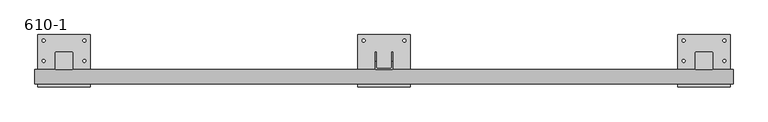
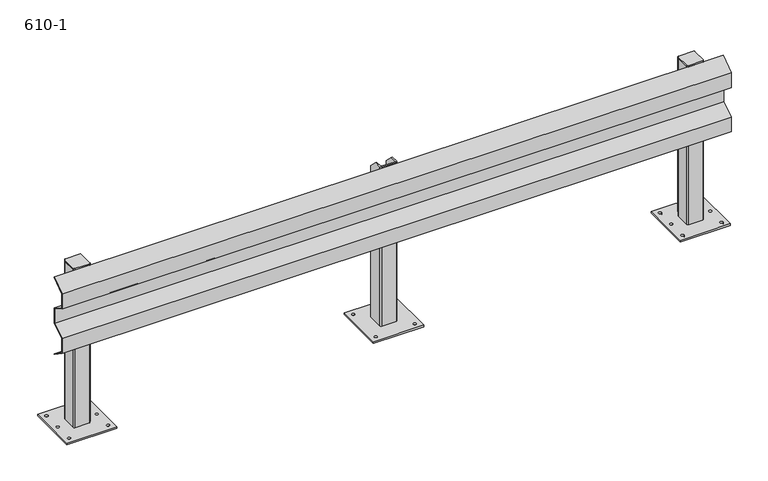
"""IFC4 building model written with IfcOpenShell, lengths in millimetres: proxy geometry, 610-1."""

from ifc_helpers import new_model, si_unit, point, frame, frame_2d, origin, origin_with_axes, place, context, project, spatial, polyline, circle_curve, trimmed, segment, composite_curve, outline, extrude, source, transform, mapped, element, save
from ifc_brep_helpers import plane_surface, cylinder_surface, revolved_surface, advanced_brep


def proxy_610_1_9724320c(model_context):
    return source(origin(), model_context, "Body", "SolidModel", [
        extrude(outline(polyline([(-30.0, 602.5500027), (-78.0, 568.5877822), (-78.0, 514.6001053), (-30.0, 486.1623259), (-30.0, 428.8381046), (-78.0, 400.4408827), (-78.0, 346.3636576), (-30.0, 312.4488566), (-30.0, 310.0), (-80.0, 345.3279177), (-80.0, 401.581456), (-32.0, 429.9786778), (-32.0, 485.0225816), (-80.0, 513.4603611), (-80.0, 569.622687), (-30.0, 605.0), (-30.0, 602.5500027)])), frame((-100.0, 0.0, 0.0), z_axis=(1.0, 0.0, 0.0), x_axis=(0.0, 1.0, 0.0)), (0.0, 0.0, 1.0), 2400.0),
        advanced_brep(
        [(1070.0, -26.0, 610.0), (1074.0, -30.0, 610.0), (1126.0, -30.0, 610.0), (1130.0, -26.0, 610.0), (1130.0, 0.0, 610.0), (1126.0, 0.0, 610.0), (1126.0, -24.0, 610.0), (1124.0, -26.0, 610.0), (1076.0, -26.0, 610.0), (1074.0, -24.0, 610.0), (1074.0, 0.0, 610.0), (1070.0, 0.0, 610.0), (1070.0, -26.0, 6.0), (1070.0, 30.0, 6.0), (1074.0, 30.0, 6.0), (1074.0, -24.0, 6.0), (1076.0, -26.0, 6.0), (1124.0, -26.0, 6.0), (1126.0, -24.0, 6.0), (1126.0, 30.0, 6.0), (1130.0, 30.0, 6.0), (1130.0, -26.0, 6.0), (1126.0, -30.0, 6.0), (1074.0, -30.0, 6.0), (1130.0, 30.0, 580.0), (1126.0, 30.0, 580.0), (1074.0, 30.0, 580.0), (1070.0, 30.0, 580.0)],
        [
            (0, 1, circle_curve(frame((1074.0, -26.0, 610.0), z_axis=(0.0, 0.0, 1.0), x_axis=(-1.0, 0.0, 0.0)), 4.0)),
            (1, 2),
            (2, 3, circle_curve(frame((1126.0, -26.0, 610.0), z_axis=(0.0, 0.0, 1.0), x_axis=(-1.0, 0.0, 0.0)), 4.0)),
            (3, 4),
            (4, 5),
            (5, 6),
            (6, 7, circle_curve(frame((1124.0, -24.0, 610.0), z_axis=(0.0, 0.0, -1.0), x_axis=(-1.0, 0.0, 0.0)), 2.0)),
            (7, 8),
            (8, 9, circle_curve(frame((1076.0, -24.0, 610.0), z_axis=(0.0, 0.0, -1.0), x_axis=(-1.0, 0.0, 0.0)), 2.0)),
            (9, 10),
            (10, 11),
            (11, 0),
            (12, 13),
            (13, 14),
            (14, 15),
            (15, 16, circle_curve(frame((1076.0, -24.0, 6.0), z_axis=(0.0, 0.0, 1.0), x_axis=(-1.0, 0.0, 0.0)), 2.0)),
            (16, 17),
            (17, 18, circle_curve(frame((1124.0, -24.0, 6.0), z_axis=(0.0, 0.0, 1.0), x_axis=(-1.0, 0.0, 0.0)), 2.0)),
            (18, 19),
            (19, 20),
            (20, 21),
            (21, 22, circle_curve(frame((1126.0, -26.0, 6.0), z_axis=(0.0, 0.0, -1.0), x_axis=(-1.0, 0.0, 0.0)), 4.0)),
            (22, 23),
            (23, 12, circle_curve(frame((1074.0, -26.0, 6.0), z_axis=(0.0, 0.0, -1.0), x_axis=(-1.0, 0.0, 0.0)), 4.0)),
            (0, 12),
            (23, 1),
            (22, 2),
            (21, 3),
            (20, 24),
            (24, 4),
            (19, 25),
            (25, 24),
            (18, 6),
            (5, 25),
            (17, 7),
            (16, 8),
            (15, 9),
            (14, 26),
            (26, 10),
            (13, 27),
            (27, 26),
            (11, 27),
        ],
        [
            plane_surface(frame((1070.0, -26.0, 610.0), z_axis=(0.0, 0.0, 1.0), x_axis=(0.0, -1.0, 0.0))),
            plane_surface(frame((1070.0, -26.0, 6.0), z_axis=(0.0, 0.0, -1.0), x_axis=(0.0, 1.0, 0.0))),
            cylinder_surface(frame((1074.0, -26.0, 6.0), z_axis=(0.0, 0.0, 1.0), x_axis=(-1.0, 0.0, 0.0)), 4.0),
            plane_surface(frame((1074.0, -30.0, 610.0), z_axis=(0.0, -1.0, 0.0), x_axis=(0.0, 0.0, -1.0))),
            cylinder_surface(frame((1126.0, -26.0, 6.0), z_axis=(0.0, 0.0, 1.0), x_axis=(-1.0, 0.0, 0.0)), 4.0),
            plane_surface(frame((1130.0, -26.0, 610.0), z_axis=(1.0, 0.0, 0.0), x_axis=(0.0, 0.0, -1.0))),
            plane_surface(frame((1130.0, 30.0, 610.0), z_axis=(0.0, 1.0, 0.0), x_axis=(0.0, 0.0, -1.0))),
            plane_surface(frame((1126.0, 30.0, 610.0), z_axis=(-1.0, 0.0, 0.0), x_axis=(0.0, 0.0, -1.0))),
            revolved_surface(polyline([(1122.0, -24.0, 6.0), (1122.0, -24.0, 610.0)]), (1124.0, -24.0, 6.0), (0.0, 0.0, -1.0)),
            plane_surface(frame((1124.0, -26.0, 610.0), z_axis=(0.0, 1.0, 0.0), x_axis=(0.0, 0.0, -1.0))),
            revolved_surface(polyline([(1074.0, -24.0, 6.0), (1074.0, -24.0, 610.0)]), (1076.0, -24.0, 6.0), (0.0, 0.0, -1.0)),
            plane_surface(frame((1074.0, -24.0, 610.0), z_axis=(1.0, 0.0, 0.0), x_axis=(0.0, 0.0, -1.0))),
            plane_surface(frame((1074.0, 30.0, 610.0), z_axis=(0.0, 1.0, 0.0), x_axis=(0.0, 0.0, -1.0))),
            plane_surface(frame((1070.0, 30.0, 610.0), z_axis=(-1.0, 0.0, 0.0), x_axis=(0.0, 0.0, -1.0))),
            plane_surface(frame((1130.0, 0.0, 610.0), z_axis=(0.0, 0.7071067811865482, 0.7071067811865469), x_axis=(-1.0, 0.0, 0.0))),
            plane_surface(frame((1074.0, 0.0, 610.0), z_axis=(0.0, 0.7071067811865539, 0.7071067811865411), x_axis=(-1.0, 0.0, 0.0))),
        ],
        [
            (0, [[1, 2, 3, 4, 5, 6, 7, 8, 9, 10, 11, 12]]),
            (1, [[13, 14, 15, 16, 17, 18, 19, 20, 21, 22, 23, 24]]),
            (2, [[-1, 25, -24, 26]]),
            (3, [[-2, -26, -23, 27]]),
            (4, [[-3, -27, -22, 28]]),
            (5, [[-21, 29, 30, -4, -28]]),
            (6, [[-20, 31, 32, -29]]),
            (7, [[-19, 33, -6, 34, -31]]),
            (8, [[-7, -33, -18, 35]]),
            (9, [[-8, -35, -17, 36]]),
            (10, [[-9, -36, -16, 37]]),
            (11, [[-15, 38, 39, -10, -37]]),
            (12, [[-14, 40, 41, -38]]),
            (13, [[-13, -25, -12, 42, -40]]),
            (14, [[-5, -30, -32, -34]]),
            (15, [[-11, -39, -41, -42]]),
        ],
    ),
        extrude(outline(polyline([(1190.0, 90.0), (1190.0, -90.0), (1010.0, -90.0), (1010.0, 90.0), (1190.0, 90.0)]), holes=[composite_curve([segment(trimmed(circle_curve(frame_2d((1030.0, 70.0)), 5.0), [point((1025.0, 70.0))], [point((1035.0, 70.0))], True, "CARTESIAN"), True, "CONTINUOUS"), segment(trimmed(circle_curve(frame_2d((1030.0, 70.0)), 5.0), [point((1035.0, 70.0))], [point((1025.0, 70.0))], True, "CARTESIAN"), True, "CONTINUOUS")], self_intersect=False), composite_curve([segment(trimmed(circle_curve(frame_2d((1170.0, 70.0)), 5.0), [point((1165.0, 70.0))], [point((1175.0, 70.0))], True, "CARTESIAN"), True, "CONTINUOUS"), segment(trimmed(circle_curve(frame_2d((1170.0, 70.0)), 5.0), [point((1175.0, 70.0))], [point((1165.0, 70.0))], True, "CARTESIAN"), True, "CONTINUOUS")], self_intersect=False), composite_curve([segment(trimmed(circle_curve(frame_2d((1030.0, -70.0)), 5.0), [point((1025.0, -70.0))], [point((1035.0, -70.0))], True, "CARTESIAN"), True, "CONTINUOUS"), segment(trimmed(circle_curve(frame_2d((1030.0, -70.0)), 5.0), [point((1035.0, -70.0))], [point((1025.0, -70.0))], True, "CARTESIAN"), True, "CONTINUOUS")], self_intersect=False), composite_curve([segment(trimmed(circle_curve(frame_2d((1170.0, -70.0)), 5.0), [point((1165.0, -70.0))], [point((1175.0, -70.0))], True, "CARTESIAN"), True, "CONTINUOUS"), segment(trimmed(circle_curve(frame_2d((1170.0, -70.0)), 5.0), [point((1175.0, -70.0))], [point((1165.0, -70.0))], True, "CARTESIAN"), True, "CONTINUOUS")], self_intersect=False)]), origin_with_axes(), (0.0, 0.0, 1.0), 6.0),
        extrude(outline(composite_curve([segment(trimmed(circle_curve(frame_2d((2226.0, 26.0)), 4.0), [point((2226.0, 30.0))], [point((2230.0, 26.0))], False, "CARTESIAN"), True, "CONTINUOUS"), segment(polyline([(2230.0, 26.0), (2230.0, -26.0)]), True, "CONTINUOUS"), segment(trimmed(circle_curve(frame_2d((2226.0, -26.0)), 4.0), [point((2230.0, -26.0))], [point((2226.0, -30.0))], False, "CARTESIAN"), True, "CONTINUOUS"), segment(polyline([(2226.0, -30.0), (2174.0, -30.0)]), True, "CONTINUOUS"), segment(trimmed(circle_curve(frame_2d((2174.0, -26.0)), 4.0), [point((2174.0, -30.0))], [point((2170.0, -26.0))], False, "CARTESIAN"), True, "CONTINUOUS"), segment(polyline([(2170.0, -26.0), (2170.0, 26.0)]), True, "CONTINUOUS"), segment(trimmed(circle_curve(frame_2d((2174.0, 26.0)), 4.0), [point((2170.0, 26.0))], [point((2174.0, 30.0))], False, "CARTESIAN"), True, "CONTINUOUS"), segment(polyline([(2174.0, 30.0), (2226.0, 30.0)]), True, "CONTINUOUS")], self_intersect=False)), frame((0.0, 0.0, 605.0), z_axis=(0.0, 0.0, 1.0), x_axis=(1.0, 0.0, 0.0)), (0.0, 0.0, 1.0), 5.0),
        extrude(outline(composite_curve([segment(polyline([(2170.0, -26.0), (2170.0, 26.0)]), True, "CONTINUOUS"), segment(trimmed(circle_curve(frame_2d((2174.0, 26.0)), 4.0), [point((2170.0, 26.0))], [point((2174.0, 30.0))], False, "CARTESIAN"), True, "CONTINUOUS"), segment(polyline([(2174.0, 30.0), (2226.0, 30.0)]), True, "CONTINUOUS"), segment(trimmed(circle_curve(frame_2d((2226.0, 26.0)), 4.0), [point((2226.0, 30.0))], [point((2230.0, 26.0))], False, "CARTESIAN"), True, "CONTINUOUS"), segment(polyline([(2230.0, 26.0), (2230.0, -26.0)]), True, "CONTINUOUS"), segment(trimmed(circle_curve(frame_2d((2226.0, -26.0)), 4.0), [point((2230.0, -26.0))], [point((2226.0, -30.0))], False, "CARTESIAN"), True, "CONTINUOUS"), segment(polyline([(2226.0, -30.0), (2174.0, -30.0)]), True, "CONTINUOUS"), segment(trimmed(circle_curve(frame_2d((2174.0, -26.0)), 4.0), [point((2174.0, -30.0))], [point((2170.0, -26.0))], False, "CARTESIAN"), True, "CONTINUOUS")], self_intersect=False), holes=[composite_curve([segment(polyline([(2224.0, 26.0), (2176.0, 26.0)]), True, "CONTINUOUS"), segment(trimmed(circle_curve(frame_2d((2176.0, 24.0)), 2.0), [point((2176.0, 26.0))], [point((2174.0, 24.0))], True, "CARTESIAN"), True, "CONTINUOUS"), segment(polyline([(2174.0, 24.0), (2174.0, -24.0)]), True, "CONTINUOUS"), segment(trimmed(circle_curve(frame_2d((2176.0, -24.0)), 2.0), [point((2174.0, -24.0))], [point((2176.0, -26.0))], True, "CARTESIAN"), True, "CONTINUOUS"), segment(polyline([(2176.0, -26.0), (2224.0, -26.0)]), True, "CONTINUOUS"), segment(trimmed(circle_curve(frame_2d((2224.0, -24.0)), 2.0), [point((2224.0, -26.0))], [point((2226.0, -24.0))], True, "CARTESIAN"), True, "CONTINUOUS"), segment(polyline([(2226.0, -24.0), (2226.0, 24.0)]), True, "CONTINUOUS"), segment(trimmed(circle_curve(frame_2d((2224.0, 24.0)), 2.0), [point((2226.0, 24.0))], [point((2224.0, 26.0))], True, "CARTESIAN"), True, "CONTINUOUS")], self_intersect=False)]), frame((0.0, 0.0, 6.0), z_axis=(0.0, 0.0, 1.0), x_axis=(1.0, 0.0, 0.0)), (0.0, 0.0, 1.0), 599.0),
        extrude(outline(polyline([(2290.0, 90.0), (2290.0, -90.0), (2110.0, -90.0), (2110.0, 90.0), (2290.0, 90.0)]), holes=[composite_curve([segment(trimmed(circle_curve(frame_2d((2130.0, 70.0)), 5.0), [point((2125.0, 70.0))], [point((2135.0, 70.0))], True, "CARTESIAN"), True, "CONTINUOUS"), segment(trimmed(circle_curve(frame_2d((2130.0, 70.0)), 5.0), [point((2135.0, 70.0))], [point((2125.0, 70.0))], True, "CARTESIAN"), True, "CONTINUOUS")], self_intersect=False), composite_curve([segment(trimmed(circle_curve(frame_2d((2130.0, 0.0)), 5.0), [point((2125.0, 0.0))], [point((2135.0, 0.0))], True, "CARTESIAN"), True, "CONTINUOUS"), segment(trimmed(circle_curve(frame_2d((2130.0, 0.0)), 5.0), [point((2135.0, 0.0))], [point((2125.0, 0.0))], True, "CARTESIAN"), True, "CONTINUOUS")], self_intersect=False), composite_curve([segment(trimmed(circle_curve(frame_2d((2130.0, -70.0)), 5.0), [point((2125.0, -70.0))], [point((2135.0, -70.0))], True, "CARTESIAN"), True, "CONTINUOUS"), segment(trimmed(circle_curve(frame_2d((2130.0, -70.0)), 5.0), [point((2135.0, -70.0))], [point((2125.0, -70.0))], True, "CARTESIAN"), True, "CONTINUOUS")], self_intersect=False), composite_curve([segment(trimmed(circle_curve(frame_2d((2270.0, -70.0)), 5.0), [point((2265.0, -70.0))], [point((2275.0, -70.0))], True, "CARTESIAN"), True, "CONTINUOUS"), segment(trimmed(circle_curve(frame_2d((2270.0, -70.0)), 5.0), [point((2275.0, -70.0))], [point((2265.0, -70.0))], True, "CARTESIAN"), True, "CONTINUOUS")], self_intersect=False), composite_curve([segment(trimmed(circle_curve(frame_2d((2270.0, 0.0)), 5.0), [point((2265.0, 0.0))], [point((2275.0, 0.0))], True, "CARTESIAN"), True, "CONTINUOUS"), segment(trimmed(circle_curve(frame_2d((2270.0, 0.0)), 5.0), [point((2275.0, 0.0))], [point((2265.0, 0.0))], True, "CARTESIAN"), True, "CONTINUOUS")], self_intersect=False), composite_curve([segment(trimmed(circle_curve(frame_2d((2270.0, 70.0)), 5.0), [point((2265.0, 70.0))], [point((2275.0, 70.0))], True, "CARTESIAN"), True, "CONTINUOUS"), segment(trimmed(circle_curve(frame_2d((2270.0, 70.0)), 5.0), [point((2275.0, 70.0))], [point((2265.0, 70.0))], True, "CARTESIAN"), True, "CONTINUOUS")], self_intersect=False)]), origin_with_axes(), (0.0, 0.0, 1.0), 6.0),
        extrude(outline(composite_curve([segment(trimmed(circle_curve(frame_2d((26.0, 26.0)), 4.0), [point((26.0, 30.0))], [point((30.0, 26.0))], False, "CARTESIAN"), True, "CONTINUOUS"), segment(polyline([(30.0, 26.0), (30.0, -26.0)]), True, "CONTINUOUS"), segment(trimmed(circle_curve(frame_2d((26.0, -26.0)), 4.0), [point((30.0, -26.0))], [point((26.0, -30.0))], False, "CARTESIAN"), True, "CONTINUOUS"), segment(polyline([(26.0, -30.0), (-26.0, -30.0)]), True, "CONTINUOUS"), segment(trimmed(circle_curve(frame_2d((-26.0, -26.0)), 4.0), [point((-26.0, -30.0))], [point((-30.0, -26.0))], False, "CARTESIAN"), True, "CONTINUOUS"), segment(polyline([(-30.0, -26.0), (-30.0, 26.0)]), True, "CONTINUOUS"), segment(trimmed(circle_curve(frame_2d((-26.0, 26.0)), 4.0), [point((-30.0, 26.0))], [point((-26.0, 30.0))], False, "CARTESIAN"), True, "CONTINUOUS"), segment(polyline([(-26.0, 30.0), (26.0, 30.0)]), True, "CONTINUOUS")], self_intersect=False)), frame((0.0, 0.0, 605.0), z_axis=(0.0, 0.0, 1.0), x_axis=(1.0, 0.0, 0.0)), (0.0, 0.0, 1.0), 5.0),
        extrude(outline(composite_curve([segment(polyline([(-30.0, -26.0), (-30.0, 26.0)]), True, "CONTINUOUS"), segment(trimmed(circle_curve(frame_2d((-26.0, 26.0)), 4.0), [point((-30.0, 26.0))], [point((-26.0, 30.0))], False, "CARTESIAN"), True, "CONTINUOUS"), segment(polyline([(-26.0, 30.0), (26.0, 30.0)]), True, "CONTINUOUS"), segment(trimmed(circle_curve(frame_2d((26.0, 26.0)), 4.0), [point((26.0, 30.0))], [point((30.0, 26.0))], False, "CARTESIAN"), True, "CONTINUOUS"), segment(polyline([(30.0, 26.0), (30.0, -26.0)]), True, "CONTINUOUS"), segment(trimmed(circle_curve(frame_2d((26.0, -26.0)), 4.0), [point((30.0, -26.0))], [point((26.0, -30.0))], False, "CARTESIAN"), True, "CONTINUOUS"), segment(polyline([(26.0, -30.0), (-26.0, -30.0)]), True, "CONTINUOUS"), segment(trimmed(circle_curve(frame_2d((-26.0, -26.0)), 4.0), [point((-26.0, -30.0))], [point((-30.0, -26.0))], False, "CARTESIAN"), True, "CONTINUOUS")], self_intersect=False), holes=[composite_curve([segment(polyline([(24.0, 26.0), (-24.0, 26.0)]), True, "CONTINUOUS"), segment(trimmed(circle_curve(frame_2d((-24.0, 24.0)), 2.0), [point((-24.0, 26.0))], [point((-26.0, 24.0))], True, "CARTESIAN"), True, "CONTINUOUS"), segment(polyline([(-26.0, 24.0), (-26.0, -24.0)]), True, "CONTINUOUS"), segment(trimmed(circle_curve(frame_2d((-24.0, -24.0)), 2.0), [point((-26.0, -24.0))], [point((-24.0, -26.0))], True, "CARTESIAN"), True, "CONTINUOUS"), segment(polyline([(-24.0, -26.0), (24.0, -26.0)]), True, "CONTINUOUS"), segment(trimmed(circle_curve(frame_2d((24.0, -24.0)), 2.0), [point((24.0, -26.0))], [point((26.0, -24.0))], True, "CARTESIAN"), True, "CONTINUOUS"), segment(polyline([(26.0, -24.0), (26.0, 24.0)]), True, "CONTINUOUS"), segment(trimmed(circle_curve(frame_2d((24.0, 24.0)), 2.0), [point((26.0, 24.0))], [point((24.0, 26.0))], True, "CARTESIAN"), True, "CONTINUOUS")], self_intersect=False)]), frame((0.0, 0.0, 6.0), z_axis=(0.0, 0.0, 1.0), x_axis=(1.0, 0.0, 0.0)), (0.0, 0.0, 1.0), 599.0),
        extrude(outline(polyline([(90.0, 90.0), (90.0, -90.0), (-90.0, -90.0), (-90.0, 90.0), (90.0, 90.0)]), holes=[composite_curve([segment(trimmed(circle_curve(frame_2d((-70.0, 70.0)), 5.0), [point((-75.0, 70.0))], [point((-65.0, 70.0))], True, "CARTESIAN"), True, "CONTINUOUS"), segment(trimmed(circle_curve(frame_2d((-70.0, 70.0)), 5.0), [point((-65.0, 70.0))], [point((-75.0, 70.0))], True, "CARTESIAN"), True, "CONTINUOUS")], self_intersect=False), composite_curve([segment(trimmed(circle_curve(frame_2d((-70.0, 0.0)), 5.0), [point((-75.0, 0.0))], [point((-65.0, 0.0))], True, "CARTESIAN"), True, "CONTINUOUS"), segment(trimmed(circle_curve(frame_2d((-70.0, 0.0)), 5.0), [point((-65.0, 0.0))], [point((-75.0, 0.0))], True, "CARTESIAN"), True, "CONTINUOUS")], self_intersect=False), composite_curve([segment(trimmed(circle_curve(frame_2d((-70.0, -70.0)), 5.0), [point((-75.0, -70.0))], [point((-65.0, -70.0))], True, "CARTESIAN"), True, "CONTINUOUS"), segment(trimmed(circle_curve(frame_2d((-70.0, -70.0)), 5.0), [point((-65.0, -70.0))], [point((-75.0, -70.0))], True, "CARTESIAN"), True, "CONTINUOUS")], self_intersect=False), composite_curve([segment(trimmed(circle_curve(frame_2d((70.0, -70.0)), 5.0), [point((65.0, -70.0))], [point((75.0, -70.0))], True, "CARTESIAN"), True, "CONTINUOUS"), segment(trimmed(circle_curve(frame_2d((70.0, -70.0)), 5.0), [point((75.0, -70.0))], [point((65.0, -70.0))], True, "CARTESIAN"), True, "CONTINUOUS")], self_intersect=False), composite_curve([segment(trimmed(circle_curve(frame_2d((70.0, 0.0)), 5.0), [point((65.0, 0.0))], [point((75.0, 0.0))], True, "CARTESIAN"), True, "CONTINUOUS"), segment(trimmed(circle_curve(frame_2d((70.0, 0.0)), 5.0), [point((75.0, 0.0))], [point((65.0, 0.0))], True, "CARTESIAN"), True, "CONTINUOUS")], self_intersect=False), composite_curve([segment(trimmed(circle_curve(frame_2d((70.0, 70.0)), 5.0), [point((65.0, 70.0))], [point((75.0, 70.0))], True, "CARTESIAN"), True, "CONTINUOUS"), segment(trimmed(circle_curve(frame_2d((70.0, 70.0)), 5.0), [point((75.0, 70.0))], [point((65.0, 70.0))], True, "CARTESIAN"), True, "CONTINUOUS")], self_intersect=False)]), origin_with_axes(), (0.0, 0.0, 1.0), 6.0),
    ])


if __name__ == "__main__":
    model = new_model("IFC4")
    model_context = context("Model", 3, world=origin())
    ifc_project = project(units=[si_unit("LENGTHUNIT", "METRE", prefix="MILLI")], contexts=[model_context])
    site = spatial("IfcSite", under=ifc_project)
    building = spatial("IfcBuilding", under=site)
    placement = place(None, origin())
    proxy_610_1_shape = proxy_610_1_9724320c(model_context)
    element("IfcBuildingElementProxy", 1, Name="610-1", ObjectType="610-1", at=placement, inside=building, context=model_context, shape_type="MappedRepresentation", body=[
        mapped(proxy_610_1_shape, transform((0.0, 0.0, 0.0), x_axis=(1.0, 0.0, 0.0), y_axis=(0.0, 1.0, 0.0), z_axis=(0.0, 0.0, 1.0))),
    ])
    save(model, "model.ifc")
